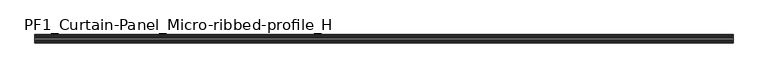
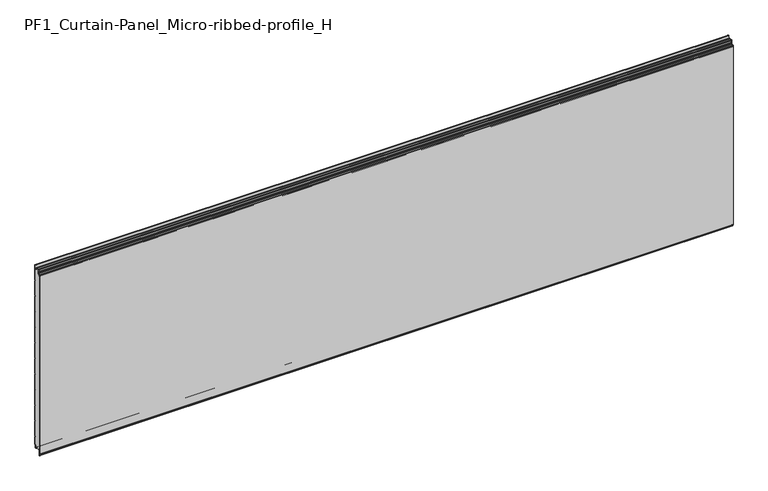
"""IFC4 building model written with IfcOpenShell, lengths in millimetres: plate geometry, PF1_Curtain-Panel_Micro-ribbed-profile_H."""

from ifc_helpers import new_model, si_unit, point, frame, frame_2d, origin, place, context, project, spatial, polyline, circle_curve, trimmed, segment, composite_curve, outline, extrude, source, transform, mapped, element, save


def pf1_curtain_panel_micro_ribbed_profile_h_4e62c88d(model_context):
    return source(origin(), model_context, "Body", "SweptSolid", [
        extrude(outline(composite_curve([segment(polyline([(-40.0, 0.0), (-43.5, 0.0)]), True, "CONTINUOUS"), segment(trimmed(circle_curve(frame_2d((-43.5, -2.0)), 2.0), [point((-43.5, 0.0))], [point((-45.5, -2.0))], True, "CARTESIAN"), True, "CONTINUOUS"), segment(polyline([(-45.5, -2.0), (-45.5, -33.0)]), True, "CONTINUOUS"), segment(trimmed(circle_curve(frame_2d((-46.5, -33.0)), 1.0), [point((-45.5, -33.0))], [point((-47.5, -33.0))], False, "CARTESIAN"), True, "CONTINUOUS"), segment(polyline([(-47.5, -33.0), (-47.5, -26.9)]), True, "CONTINUOUS"), segment(trimmed(circle_curve(frame_2d((-48.4, -26.9)), 0.9), [point((-47.5, -26.9))], [point((-48.4, -26.0))], True, "CARTESIAN"), True, "CONTINUOUS"), segment(trimmed(circle_curve(frame_2d((-48.4, -24.4)), 1.6), [point((-48.4, -26.0))], [point((-50.0, -24.4))], False, "CARTESIAN"), True, "CONTINUOUS"), segment(polyline([(-50.0, -24.4), (-50.0, 1123.168846)]), True, "CONTINUOUS"), segment(trimmed(circle_curve(frame_2d((-49.0, 1123.168846)), 1.0), [point((-50.0, 1123.168846))], [point((-48.0, 1123.168846))], False, "CARTESIAN"), True, "CONTINUOUS"), segment(polyline([(-48.0, 1123.168846), (-48.0, 1117.168846)]), True, "CONTINUOUS"), segment(trimmed(circle_curve(frame_2d((-46.5, 1117.168846)), 1.5), [point((-48.0, 1117.168846))], [point((-45.0, 1117.168846))], True, "CARTESIAN"), True, "CONTINUOUS"), segment(polyline([(-45.0, 1117.168846), (-45.0, 1117.9964664)]), True, "CONTINUOUS"), segment(trimmed(circle_curve(frame_2d((-38.8276204, 1117.9964664)), 6.1723796), [point((-45.0, 1117.9964664))], [point((-38.8276204, 1124.168846))], False, "CARTESIAN"), True, "CONTINUOUS"), segment(polyline([(-38.8276204, 1124.168846), (-38.0, 1124.168846)]), True, "CONTINUOUS"), segment(trimmed(circle_curve(frame_2d((-38.0, 1125.168846)), 1.0), [point((-38.0, 1124.168846))], [point((-37.0, 1125.168846))], True, "CARTESIAN"), True, "CONTINUOUS"), segment(polyline([(-37.0, 1125.168846), (-37.0, 1131.6688472), (-35.4999999, 1133.168846), (-37.0, 1134.6688448), (-37.0, 1146.568846)]), True, "CONTINUOUS"), segment(trimmed(circle_curve(frame_2d((-34.4, 1146.568846)), 2.6), [point((-37.0, 1146.568846))], [point((-34.4, 1149.168846))], False, "CARTESIAN"), True, "CONTINUOUS"), segment(polyline([(-34.4, 1149.168846), (-33.0, 1149.168846), (-33.0, 1148.368846), (-34.4, 1148.368846)]), True, "CONTINUOUS"), segment(trimmed(circle_curve(frame_2d((-34.4, 1146.568846)), 1.8), [point((-34.4, 1148.368846))], [point((-36.2, 1146.568846))], True, "CARTESIAN"), True, "CONTINUOUS"), segment(polyline([(-36.2, 1146.568846), (-36.2, 1135.0002158), (-34.3686285, 1133.168846), (-36.2, 1131.3374762), (-36.2, 1125.168846)]), True, "CONTINUOUS"), segment(trimmed(circle_curve(frame_2d((-38.0, 1125.168846)), 1.8), [point((-36.2, 1125.168846))], [point((-38.0, 1123.368846))], False, "CARTESIAN"), True, "CONTINUOUS"), segment(polyline([(-38.0, 1123.368846), (-38.8276204, 1123.368846)]), True, "CONTINUOUS"), segment(trimmed(circle_curve(frame_2d((-38.8276204, 1117.9964664)), 5.3723796), [point((-38.8276204, 1123.368846))], [point((-44.2, 1117.9964664))], True, "CARTESIAN"), True, "CONTINUOUS"), segment(polyline([(-44.2, 1117.9964664), (-44.2, 1117.168846)]), True, "CONTINUOUS"), segment(trimmed(circle_curve(frame_2d((-46.4, 1117.168846)), 2.2), [point((-44.2, 1117.168846))], [point((-48.6, 1117.168846))], False, "CARTESIAN"), True, "CONTINUOUS"), segment(polyline([(-48.6, 1117.168846), (-48.6, 1123.0579973)]), True, "CONTINUOUS"), segment(trimmed(circle_curve(frame_2d((-48.9, 1123.0579973)), 0.3), [point((-48.6, 1123.0579973))], [point((-49.2, 1123.0579973))], True, "CARTESIAN"), True, "CONTINUOUS"), segment(polyline([(-49.2, 1123.0579973), (-49.2, -24.4)]), True, "CONTINUOUS"), segment(trimmed(circle_curve(frame_2d((-48.4, -24.4)), 0.8), [point((-49.2, -24.4))], [point((-48.4, -25.2))], True, "CARTESIAN"), True, "CONTINUOUS"), segment(trimmed(circle_curve(frame_2d((-48.6133333, -26.9)), 1.7133333), [point((-48.4, -25.2))], [point((-46.9, -26.9))], False, "CARTESIAN"), True, "CONTINUOUS"), segment(polyline([(-46.9, -26.9), (-46.9, -32.8700312)]), True, "CONTINUOUS"), segment(trimmed(circle_curve(frame_2d((-46.6, -32.8700312)), 0.3), [point((-46.9, -32.8700312))], [point((-46.3, -32.8700312))], True, "CARTESIAN"), True, "CONTINUOUS"), segment(polyline([(-46.3, -32.8700312), (-46.3, -2.0)]), True, "CONTINUOUS"), segment(trimmed(circle_curve(frame_2d((-43.5, -2.0)), 2.8), [point((-46.3, -2.0))], [point((-43.5, 0.8))], False, "CARTESIAN"), True, "CONTINUOUS"), segment(polyline([(-43.5, 0.8), (-40.0, 0.8), (-40.0, 0.0)]), True, "CONTINUOUS")], self_intersect=False)), frame((-2100.0119739, 0.0, 0.0), z_axis=(1.0, 0.0, 0.0), x_axis=(0.0, 1.0, 0.0)), (0.0, 0.0, 1.0), 4200.0239479),
        extrude(outline(composite_curve([segment(polyline([(-15.878557, 0.0), (-20.0, 0.0), (-20.0, 0.8), (-15.878557, 0.8)]), True, "CONTINUOUS"), segment(trimmed(circle_curve(frame_2d((-15.878557, -2.0)), 2.8), [point((-15.878557, 0.8))], [point((-13.1503208, -1.370137))], False, "CARTESIAN"), True, "CONTINUOUS"), segment(polyline([(-13.1503208, -1.370137), (-11.728236, -7.529863)]), True, "CONTINUOUS"), segment(trimmed(circle_curve(frame_2d((-9.0, -6.9)), 2.8), [point((-11.728236, -7.529863))], [point((-6.2, -6.9))], True, "CARTESIAN"), True, "CONTINUOUS"), segment(polyline([(-6.2, -6.9), (-6.2, 8.6)]), True, "CONTINUOUS"), segment(trimmed(circle_curve(frame_2d((-3.4, 8.6)), 2.8), [point((-6.2, 8.6))], [point((-3.4, 11.4))], False, "CARTESIAN"), True, "CONTINUOUS"), segment(polyline([(-3.4, 11.4), (-2.0, 11.4)]), True, "CONTINUOUS"), segment(trimmed(circle_curve(frame_2d((-2.0, 12.6)), 1.2), [point((-2.0, 11.4))], [point((-0.8, 12.6))], True, "CARTESIAN"), True, "CONTINUOUS"), segment(polyline([(-0.8, 12.6), (-0.8, 57.6856412), (-2.482606, 60.6), (-0.8, 63.5143588), (-0.8, 157.6856412), (-2.482606, 160.6), (-0.8, 163.5143588), (-0.8, 257.6856412), (-2.482606, 260.6), (-0.8, 263.5143588), (-0.8, 357.6856412), (-2.482606, 360.6), (-0.8, 363.5143588), (-0.8, 457.6856412), (-2.482606, 460.6), (-0.8, 463.5143588), (-0.8, 557.6856412), (-2.482606, 560.6), (-0.8, 563.5143588), (-0.8, 657.6856412), (-2.482606, 660.6), (-0.8, 663.5143588), (-0.8, 757.6856412), (-2.482606, 760.6), (-0.8, 763.5143588), (-0.8, 857.6856412), (-2.482606, 860.6), (-0.8, 863.5143588), (-0.8, 957.6856412), (-2.482606, 960.6), (-0.8, 963.5143588), (-0.8, 1057.6856412), (-2.482606, 1060.6), (-0.8, 1063.5143588), (-0.8, 1158.268846)]), True, "CONTINUOUS"), segment(trimmed(circle_curve(frame_2d((-2.5, 1158.268846)), 1.7), [point((-0.8, 1158.268846))], [point((-4.2, 1158.268846))], True, "CARTESIAN"), True, "CONTINUOUS"), segment(polyline([(-4.2, 1158.268846), (-4.2, 1141.268846)]), True, "CONTINUOUS"), segment(trimmed(circle_curve(frame_2d((-9.0, 1141.268846)), 4.8), [point((-4.2, 1141.268846))], [point((-13.7270771, 1140.4353344))], False, "CARTESIAN"), True, "CONTINUOUS"), segment(polyline([(-13.7270771, 1140.4353344), (-14.8636953, 1146.8814129)]), True, "CONTINUOUS"), segment(trimmed(circle_curve(frame_2d((-16.6363492, 1146.568846)), 1.8), [point((-14.8636953, 1146.8814129))], [point((-16.6363492, 1148.368846))], True, "CARTESIAN"), True, "CONTINUOUS"), segment(polyline([(-16.6363492, 1148.368846), (-20.0, 1148.368846), (-20.0, 1149.168846), (-16.6363492, 1149.168846)]), True, "CONTINUOUS"), segment(trimmed(circle_curve(frame_2d((-16.6363492, 1146.568846)), 2.6), [point((-16.6363492, 1149.168846))], [point((-14.0758491, 1147.0203315))], False, "CARTESIAN"), True, "CONTINUOUS"), segment(polyline([(-14.0758491, 1147.0203315), (-12.939231, 1140.574253)]), True, "CONTINUOUS"), segment(trimmed(circle_curve(frame_2d((-9.0, 1141.268846)), 4.0), [point((-12.939231, 1140.574253))], [point((-5.0, 1141.268846))], True, "CARTESIAN"), True, "CONTINUOUS"), segment(polyline([(-5.0, 1141.268846), (-5.0, 1158.268846)]), True, "CONTINUOUS"), segment(trimmed(circle_curve(frame_2d((-2.5, 1158.268846)), 2.5), [point((-5.0, 1158.268846))], [point((0.0, 1158.268846))], False, "CARTESIAN"), True, "CONTINUOUS"), segment(polyline([(0.0, 1158.268846), (0.0, 1063.2999995), (-1.5588455, 1060.6), (0.0, 1057.9000005), (0.0, 963.2999995), (-1.5588455, 960.6), (0.0, 957.9000005), (0.0, 863.2999995), (-1.5588455, 860.6), (0.0, 857.9000005), (0.0, 763.2999995), (-1.5588455, 760.6), (0.0, 757.9000005), (0.0, 663.2999995), (-1.5588455, 660.6), (0.0, 657.9000005), (0.0, 563.2999995), (-1.5588455, 560.6), (0.0, 557.9000005), (0.0, 463.2999995), (-1.5588455, 460.6), (0.0, 457.9000005), (0.0, 363.2999995), (-1.5588455, 360.6), (0.0, 357.9000005), (0.0, 263.2999995), (-1.5588455, 260.6), (0.0, 257.9000005), (0.0, 163.2999995), (-1.5588455, 160.6), (0.0, 157.9000005), (0.0, 63.2999995), (-1.5588455, 60.6), (0.0, 57.9000005), (0.0, 12.6)]), True, "CONTINUOUS"), segment(trimmed(circle_curve(frame_2d((-2.0, 12.6)), 2.0), [point((0.0, 12.6))], [point((-2.0, 10.6))], False, "CARTESIAN"), True, "CONTINUOUS"), segment(polyline([(-2.0, 10.6), (-3.4, 10.6)]), True, "CONTINUOUS"), segment(trimmed(circle_curve(frame_2d((-3.4, 8.6)), 2.0), [point((-3.4, 10.6))], [point((-5.4, 8.6))], True, "CARTESIAN"), True, "CONTINUOUS"), segment(polyline([(-5.4, 8.6), (-5.4, -6.9)]), True, "CONTINUOUS"), segment(trimmed(circle_curve(frame_2d((-9.0, -6.9)), 3.6), [point((-5.4, -6.9))], [point((-12.5077322, -7.7098239))], False, "CARTESIAN"), True, "CONTINUOUS"), segment(polyline([(-12.5077322, -7.7098239), (-13.929817, -1.5500979)]), True, "CONTINUOUS"), segment(trimmed(circle_curve(frame_2d((-15.878557, -2.0)), 2.0), [point((-13.929817, -1.5500979))], [point((-15.878557, 0.0))], True, "CARTESIAN"), True, "CONTINUOUS")], self_intersect=False)), frame((-2100.0119739, 0.0, 0.0), z_axis=(1.0, 0.0, 0.0), x_axis=(0.0, 1.0, 0.0)), (0.0, 0.0, 1.0), 4200.0239479),
        extrude(outline(composite_curve([segment(polyline([(-40.0, 0.8), (-43.5, 0.8)]), True, "CONTINUOUS"), segment(trimmed(circle_curve(frame_2d((-43.5, -2.0)), 2.8), [point((-43.5, 0.8))], [point((-46.3, -2.0))], True, "CARTESIAN"), True, "CONTINUOUS"), segment(polyline([(-46.3, -2.0), (-46.3, -32.8700312)]), True, "CONTINUOUS"), segment(trimmed(circle_curve(frame_2d((-46.6, -32.8700312)), 0.3), [point((-46.3, -32.8700312))], [point((-46.9, -32.8700312))], False, "CARTESIAN"), True, "CONTINUOUS"), segment(polyline([(-46.9, -32.8700312), (-46.9, -26.9)]), True, "CONTINUOUS"), segment(trimmed(circle_curve(frame_2d((-48.6133333, -26.9)), 1.7133333), [point((-46.9, -26.9))], [point((-48.4, -25.2))], True, "CARTESIAN"), True, "CONTINUOUS"), segment(trimmed(circle_curve(frame_2d((-48.4, -24.4)), 0.8), [point((-48.4, -25.2))], [point((-49.2, -24.4))], False, "CARTESIAN"), True, "CONTINUOUS"), segment(polyline([(-49.2, -24.4), (-49.2, 1123.0579973)]), True, "CONTINUOUS"), segment(trimmed(circle_curve(frame_2d((-48.9, 1123.0579973)), 0.3), [point((-49.2, 1123.0579973))], [point((-48.6, 1123.0579973))], False, "CARTESIAN"), True, "CONTINUOUS"), segment(polyline([(-48.6, 1123.0579973), (-48.6, 1117.168846)]), True, "CONTINUOUS"), segment(trimmed(circle_curve(frame_2d((-46.4, 1117.168846)), 2.2), [point((-48.6, 1117.168846))], [point((-44.2, 1117.168846))], True, "CARTESIAN"), True, "CONTINUOUS"), segment(polyline([(-44.2, 1117.168846), (-44.2, 1117.9964664)]), True, "CONTINUOUS"), segment(trimmed(circle_curve(frame_2d((-38.8276204, 1117.9964664)), 5.3723796), [point((-44.2, 1117.9964664))], [point((-38.8276204, 1123.368846))], False, "CARTESIAN"), True, "CONTINUOUS"), segment(polyline([(-38.8276204, 1123.368846), (-38.0, 1123.368846)]), True, "CONTINUOUS"), segment(trimmed(circle_curve(frame_2d((-38.0, 1125.168846)), 1.8), [point((-38.0, 1123.368846))], [point((-36.2, 1125.168846))], True, "CARTESIAN"), True, "CONTINUOUS"), segment(polyline([(-36.2, 1125.168846), (-36.2, 1131.3374762), (-34.3686285, 1133.168846), (-36.2, 1135.0002158), (-36.2, 1146.568846)]), True, "CONTINUOUS"), segment(trimmed(circle_curve(frame_2d((-34.4, 1146.568846)), 1.8), [point((-36.2, 1146.568846))], [point((-34.4, 1148.368846))], False, "CARTESIAN"), True, "CONTINUOUS"), segment(polyline([(-34.4, 1148.368846), (-33.0, 1148.368846), (-33.0, 1149.168846), (-20.0, 1149.168846), (-20.0, 1148.368846), (-16.6363492, 1148.368846)]), True, "CONTINUOUS"), segment(trimmed(circle_curve(frame_2d((-16.6363492, 1146.568846)), 1.8), [point((-16.6363492, 1148.368846))], [point((-14.8636953, 1146.8814129))], False, "CARTESIAN"), True, "CONTINUOUS"), segment(polyline([(-14.8636953, 1146.8814129), (-13.7270772, 1140.4353344)]), True, "CONTINUOUS"), segment(trimmed(circle_curve(frame_2d((-9.0, 1141.268846)), 4.8), [point((-13.7270772, 1140.4353344))], [point((-4.2, 1141.268846))], True, "CARTESIAN"), True, "CONTINUOUS"), segment(polyline([(-4.2, 1141.268846), (-4.2, 1158.268846)]), True, "CONTINUOUS"), segment(trimmed(circle_curve(frame_2d((-2.5, 1158.268846)), 1.7), [point((-4.2, 1158.268846))], [point((-0.8, 1158.268846))], False, "CARTESIAN"), True, "CONTINUOUS"), segment(polyline([(-0.8, 1158.268846), (-0.8, 1063.5143588), (-2.482606, 1060.6), (-0.8, 1057.6856412), (-0.8, 963.5143588), (-2.482606, 960.6), (-0.8, 957.6856412), (-0.8, 863.5143588), (-2.482606, 860.6), (-0.8, 857.6856412), (-0.8, 763.5143588), (-2.482606, 760.6), (-0.8, 757.6856412), (-0.8, 663.5143588), (-2.482606, 660.6), (-0.8, 657.6856412), (-0.8, 563.5143588), (-2.482606, 560.6), (-0.8, 557.6856412), (-0.8, 463.5143588), (-2.482606, 460.6), (-0.8, 457.6856412), (-0.8, 363.5143588), (-2.482606, 360.6), (-0.8, 357.6856412), (-0.8, 263.5143588), (-2.482606, 260.6), (-0.8, 257.6856412), (-0.8, 163.5143588), (-2.482606, 160.6), (-0.8, 157.6856412), (-0.8, 63.5143588), (-2.482606, 60.6), (-0.8, 57.6856412), (-0.8, 12.6)]), True, "CONTINUOUS"), segment(trimmed(circle_curve(frame_2d((-2.0, 12.6)), 1.2), [point((-0.8, 12.6))], [point((-2.0, 11.4))], False, "CARTESIAN"), True, "CONTINUOUS"), segment(polyline([(-2.0, 11.4), (-3.4, 11.4)]), True, "CONTINUOUS"), segment(trimmed(circle_curve(frame_2d((-3.4, 8.6)), 2.8), [point((-3.4, 11.4))], [point((-6.2, 8.6))], True, "CARTESIAN"), True, "CONTINUOUS"), segment(polyline([(-6.2, 8.6), (-6.2, -6.9)]), True, "CONTINUOUS"), segment(trimmed(circle_curve(frame_2d((-9.0, -6.9)), 2.8), [point((-6.2, -6.9))], [point((-11.7282362, -7.529863))], False, "CARTESIAN"), True, "CONTINUOUS"), segment(polyline([(-11.7282362, -7.529863), (-13.1503208, -1.370137)]), True, "CONTINUOUS"), segment(trimmed(circle_curve(frame_2d((-15.878557, -2.0)), 2.8), [point((-13.1503208, -1.370137))], [point((-15.878557, 0.8))], True, "CARTESIAN"), True, "CONTINUOUS"), segment(polyline([(-15.878557, 0.8), (-20.0, 0.8), (-20.0, 0.0), (-40.0, 0.0), (-40.0, 0.8)]), True, "CONTINUOUS")], self_intersect=False)), frame((-2100.0119739, 0.0, 0.0), z_axis=(1.0, 0.0, 0.0), x_axis=(0.0, 1.0, 0.0)), (0.0, 0.0, 1.0), 4200.0239479),
    ])


if __name__ == "__main__":
    model = new_model("IFC4")
    model_context = context("Model", 3, world=origin())
    ifc_project = project(units=[si_unit("LENGTHUNIT", "METRE", prefix="MILLI")], contexts=[model_context])
    site = spatial("IfcSite", under=ifc_project)
    building = spatial("IfcBuilding", under=site)
    placement = place(None, origin())
    pf1_curtain_panel_micro_ribbed_profile_h_shape = pf1_curtain_panel_micro_ribbed_profile_h_4e62c88d(model_context)
    element("IfcPlate", 1, ObjectType="PF1_Curtain-Panel_Micro-ribbed-profile_H", at=placement, inside=building, context=model_context, shape_type="MappedRepresentation", body=[
        mapped(pf1_curtain_panel_micro_ribbed_profile_h_shape, transform((0.0, 0.0, 0.0), x_axis=(1.0, 0.0, 0.0), y_axis=(0.0, 1.0, 0.0), z_axis=(0.0, 0.0, 1.0))),
    ])
    save(model, "model.ifc")
